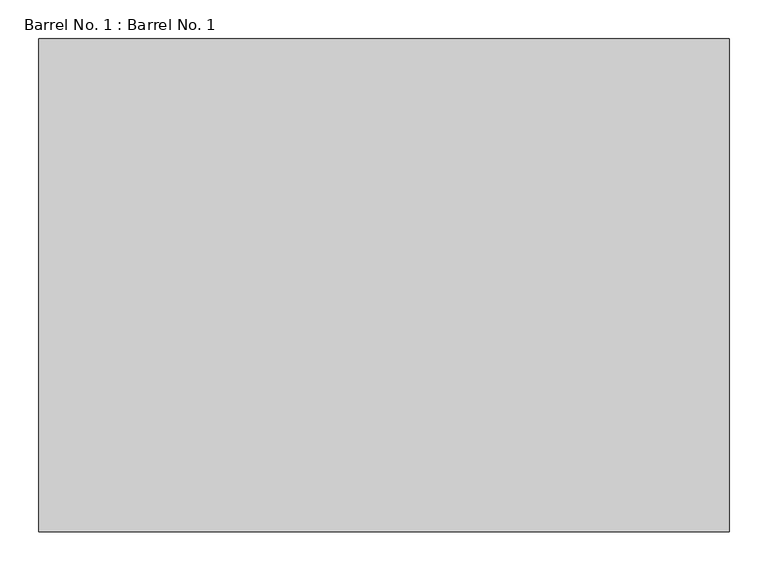
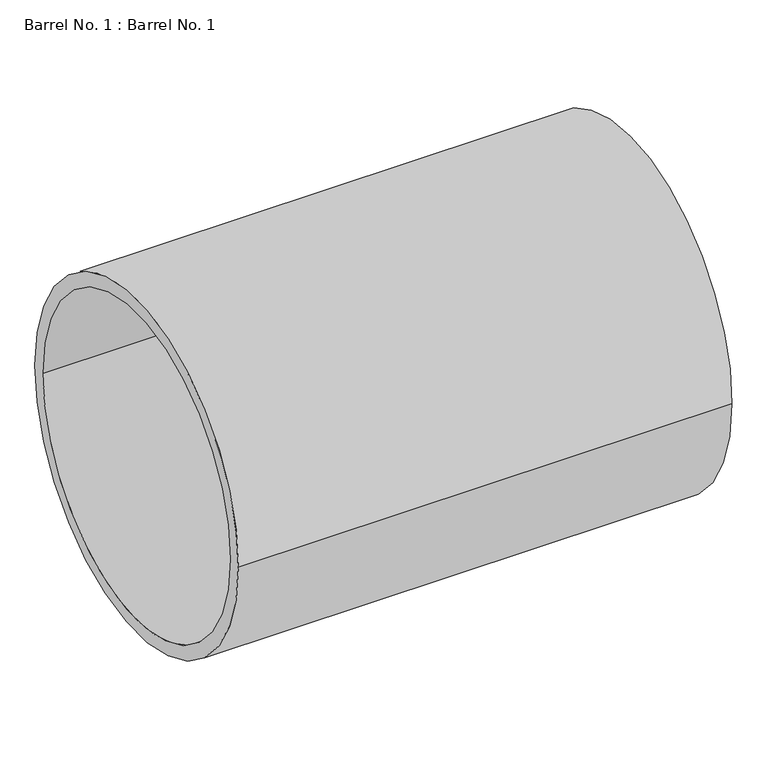
"""IFC4 building model written with IfcOpenShell, lengths in millimetres: proxy geometry, Barrel No. 1 : Barrel No. 1."""

from ifc_helpers import new_model, si_unit, point, frame, frame_2d, origin, place, context, project, spatial, circle_curve, trimmed, segment, composite_curve, outline, extrude, source, transform, mapped, element, save


def barrel_no_1_barrel_no_1_62035687(model_context):
    return source(origin(), model_context, "Body", "SweptSolid", [
        extrude(outline(composite_curve([segment(trimmed(circle_curve(frame_2d((7201.4002188, 317.5)), 317.5), [point((6883.9002188, 317.5))], [point((7518.9002188, 317.5))], False, "CARTESIAN"), True, "CONTINUOUS"), segment(trimmed(circle_curve(frame_2d((7201.4002188, 317.5)), 317.5), [point((7518.9002188, 317.5))], [point((6883.9002188, 317.5))], False, "CARTESIAN"), True, "CONTINUOUS")], self_intersect=False), holes=[composite_curve([segment(trimmed(circle_curve(frame_2d((7201.4002188, 317.5)), 292.1), [point((6909.3002188, 317.5))], [point((7493.5002188, 317.5))], True, "CARTESIAN"), True, "CONTINUOUS"), segment(trimmed(circle_curve(frame_2d((7201.4002188, 317.5)), 292.1), [point((7493.5002188, 317.5))], [point((6909.3002188, 317.5))], True, "CARTESIAN"), True, "CONTINUOUS")], self_intersect=False)]), frame((259452.7001106, 0.0, 0.0), z_axis=(1.0, 0.0, 0.0), x_axis=(0.0, 1.0, 0.0)), (0.0, 0.0, 1.0), 889.0),
    ])


if __name__ == "__main__":
    model = new_model("IFC4")
    model_context = context("Model", 3, world=origin())
    ifc_project = project(units=[si_unit("LENGTHUNIT", "METRE", prefix="MILLI")], contexts=[model_context])
    site = spatial("IfcSite", under=ifc_project)
    building = spatial("IfcBuilding", under=site)
    placement = place(None, origin())
    barrel_no_1_barrel_no_1_shape = barrel_no_1_barrel_no_1_62035687(model_context)
    element("IfcBuildingElementProxy", 1, Name="Barrel No. 1 : Barrel No. 1", ObjectType="Barrel No. 1 : Barrel No. 1", at=placement, inside=building, context=model_context, shape_type="MappedRepresentation", body=[
        mapped(barrel_no_1_barrel_no_1_shape, transform((0.0, 0.0, 0.0), x_axis=(1.0, 0.0, 0.0), y_axis=(0.0, 1.0, 0.0), z_axis=(0.0, 0.0, 1.0))),
    ])
    save(model, "model.ifc")
